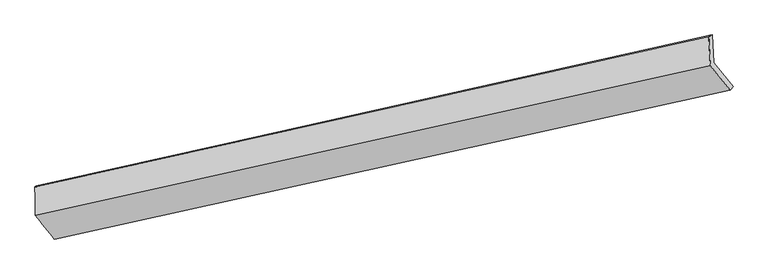
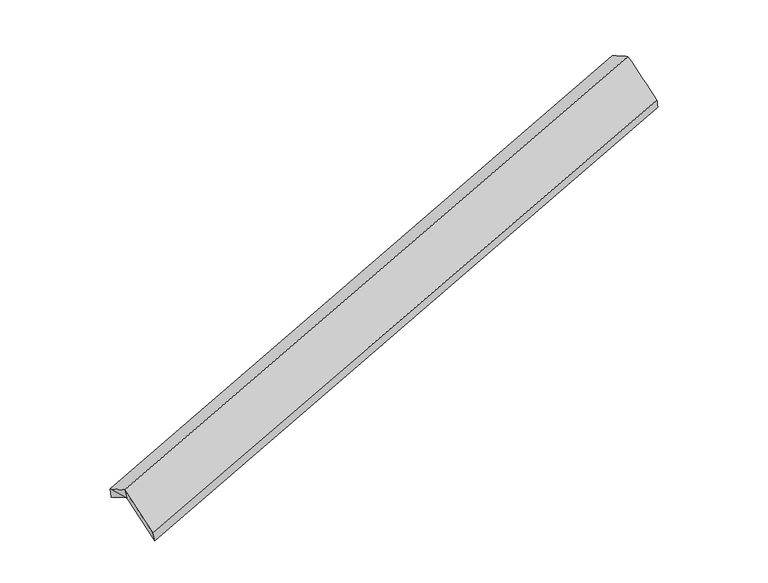
"""IFC4 building model written with IfcOpenShell, lengths in millimetres: proxy geometry."""

from ifc_helpers import new_model, si_unit, frame, origin, place, context, project, spatial, source, transform, mapped, element, save
from ifc_brep_helpers import plane_surface, spline_surface, advanced_brep


def generic_models_c887eac4(model_context):
    return source(origin(), model_context, "Body", "AdvancedBrep", [
        advanced_brep(
        [(-7500.8702261, -2534.6495103, 707.7515134), (-7521.2624855, -2155.2531221, 497.9071272), (1639.9717935, -104.545014, 3318.968049), (1660.3640528, -483.9414022, 3528.8124353), (-7552.1078571, -2170.7068897, 657.376869), (1594.4252509, -132.4987616, 3486.0067869), (-7545.9848698, -2557.838239, 872.4482178), (1615.5092249, -524.764447, 3702.9691897), (-7287.8582912, -2881.229155, 262.6767013), (1884.2675236, -856.1200721, 3077.7643956), (-7242.6134717, -2858.2035155, 97.6724831), (1923.9281936, -808.8930819, 2915.6906633)],
        [
            (0, 1),
            (1, 2),
            (2, 3),
            (3, 0),
            (1, 4),
            (4, 5),
            (5, 2),
            (4, 6),
            (6, 7),
            (7, 5),
            (6, 8),
            (8, 9),
            (9, 7),
            (8, 10),
            (10, 11),
            (11, 9),
            (10, 0),
            (3, 11),
            (4, 0),
            (0, 6),
        ],
        [
            plane_surface(frame((-7511.0663558, -2344.9513162, 602.8293203), z_axis=(0.3526944341784953, -0.4383105284457288, -0.8267348527509513), x_axis=(-0.046982266921862546, 0.874101396102496, -0.48346604423325346))),
            spline_surface(1, 1, [[(-7521.2624855, -2155.2531221, 497.9071272), (1639.9717935, -104.545014, 3318.968049)], [(-7552.1078571, -2170.7068897, 657.376869), (1594.4252509, -132.4987616, 3486.0067869)]], [2, 2], [2, 2], [0.0, 1.0], [0.0, 1.0]),
            spline_surface(1, 1, [[(-7552.1078571, -2170.7068897, 657.376869), (1594.4252509, -132.4987616, 3486.0067869)], [(-7545.9848698, -2557.838239, 872.4482178), (1615.5092249, -524.764447, 3702.9691897)]], [2, 2], [2, 2], [0.0, 1.0], [0.0, 1.0]),
            spline_surface(1, 1, [[(-7545.9848698, -2557.838239, 872.4482178), (1615.5092249, -524.764447, 3702.9691897)], [(-7287.8582912, -2881.229155, 262.6767013), (1884.2675236, -856.1200721, 3077.7643956)]], [2, 2], [2, 2], [0.0, 1.0], [0.0, 1.0]),
            spline_surface(1, 1, [[(-7287.8582912, -2881.229155, 262.6767013), (1884.2675236, -856.1200721, 3077.7643956)], [(-7242.6134717, -2858.2035155, 97.6724831), (1923.9281936, -808.8930819, 2915.6906633)]], [2, 2], [2, 2], [0.0, 1.0], [0.0, 1.0]),
            spline_surface(1, 1, [[(-7242.6134717, -2858.2035155, 97.6724831), (1923.9281936, -808.8930819, 2915.6906633)], [(-7500.8702261, -2534.6495103, 707.7515134), (1660.3640528, -483.9414022, 3528.8124353)]], [2, 2], [2, 2], [0.0, 1.0], [0.0, 1.0]),
            plane_surface(frame((1719.7443399, -485.1271298, 3338.3685866), z_axis=(0.9336567493080181, 0.21047367015446045, 0.28980322400431685), x_axis=(0.22870954547939068, 0.2723419314555529, -0.9346238902241208))),
            plane_surface(frame((-7532.987651, -2421.0648797, 745.8588667), z_axis=(-0.9436618799956169, -0.17198400441985298, -0.2827079030852339), x_axis=(-0.013824640912924529, 0.874075293113404, -0.48559372037985166))),
            plane_surface(frame((-7524.7468562, -2286.8698407, 621.0118366), z_axis=(-0.9654313522158385, -0.16396459678937186, -0.20262752813573054), x_axis=(0.18905101412342637, 0.09471600721375914, -0.9773886596622591))),
            plane_surface(frame((-7394.3317147, -2707.9801049, 485.1372289), z_axis=(-0.9354646009617258, -0.20822685741704863, -0.28556532737315926), x_axis=(-0.2620800831494758, -0.13337574485534423, 0.9557849866474395))),
        ],
        [
            (0, [[1, 2, 3, 4]]),
            (1, [[5, 6, 7, -2]]),
            (2, [[8, 9, 10, -6]]),
            (3, [[11, 12, 13, -9]]),
            (4, [[14, 15, 16, -12]]),
            (5, [[17, -4, 18, -15]]),
            (6, [[-16, -18, -3, -7, -10, -13]]),
            (7, [[-8, 19, 20]]),
            (8, [[-5, -1, -19]]),
            (9, [[-14, -11, -20, -17]]),
        ],
    ),
    ])


if __name__ == "__main__":
    model = new_model("IFC4")
    model_context = context("Model", 3, world=origin())
    ifc_project = project(units=[si_unit("LENGTHUNIT", "METRE", prefix="MILLI")], contexts=[model_context])
    site = spatial("IfcSite", under=ifc_project)
    building = spatial("IfcBuilding", under=site)
    placement = place(None, origin())
    generic_models_shape = generic_models_c887eac4(model_context)
    element("IfcBuildingElementProxy", 1, Name="Generic Models", at=placement, inside=building, context=model_context, shape_type="MappedRepresentation", body=[
        mapped(generic_models_shape, transform((0.0, 0.0, 0.0), x_axis=(1.0, 0.0, 0.0), y_axis=(0.0, 1.0, 0.0), z_axis=(0.0, 0.0, 1.0))),
    ])
    save(model, "model.ifc")
